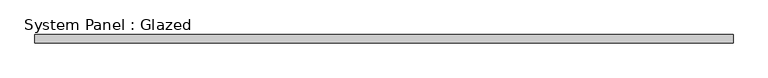
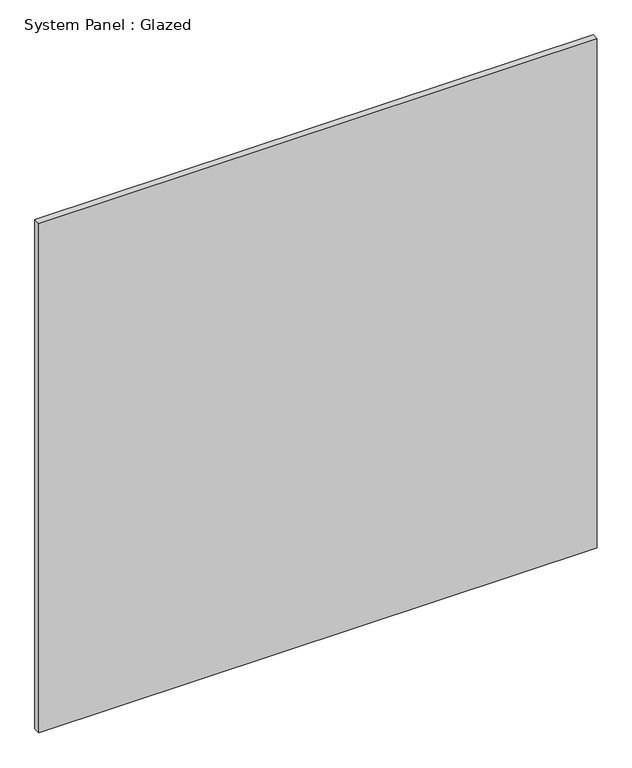
"""IFC4 building model written with IfcOpenShell, lengths in millimetres: plate geometry, System Panel : Glazed."""

from ifc_helpers import new_model, si_unit, origin, origin_with_axes, place, context, project, spatial, polyline, outline, extrude, source, transform, mapped, element, save


def system_panel_glazed_5734a432(model_context):
    return source(origin(), model_context, "Body", "SweptSolid", [
        extrude(outline(polyline([(1037.5, 24.5), (-1037.5, 24.5), (-1037.5, 49.5), (1037.5, 49.5), (1037.5, 24.5)])), origin_with_axes(), (0.0, 0.0, 1.0), 2000.0),
    ])


if __name__ == "__main__":
    model = new_model("IFC4")
    model_context = context("Model", 3, world=origin())
    ifc_project = project(units=[si_unit("LENGTHUNIT", "METRE", prefix="MILLI")], contexts=[model_context])
    site = spatial("IfcSite", under=ifc_project)
    building = spatial("IfcBuilding", under=site)
    placement = place(None, origin())
    system_panel_glazed_shape = system_panel_glazed_5734a432(model_context)
    element("IfcPlate", 1, ObjectType="System Panel : Glazed", at=placement, inside=building, context=model_context, shape_type="MappedRepresentation", body=[
        mapped(system_panel_glazed_shape, transform((0.0, 0.0, 0.0), x_axis=(1.0, 0.0, 0.0), y_axis=(0.0, 1.0, 0.0), z_axis=(0.0, 0.0, 1.0))),
    ])
    save(model, "model.ifc")
